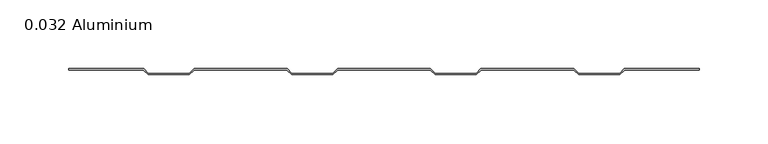
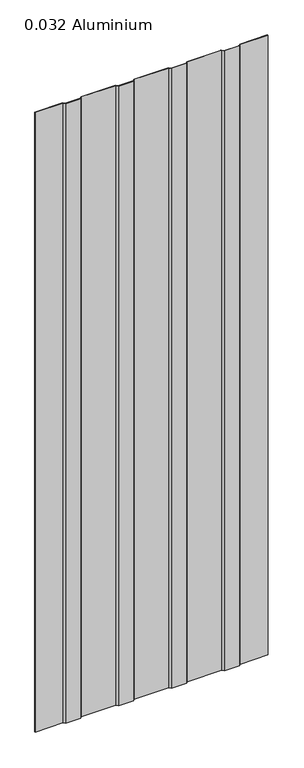
"""IFC4 building model written with IfcOpenShell, lengths in millimetres: plate geometry, 0.032 Aluminium."""

from ifc_helpers import new_model, si_unit, origin, origin_with_axes, place, context, project, spatial, polyline, outline, extrude, source, transform, mapped, element, save


def plate_0_032_aluminium_9b7b38d6(model_context):
    return source(origin(), model_context, "Body", "SweptSolid", [
        extrude(outline(polyline([(33.654793, 0.0), (-33.654793, 0.0), (-37.203173, -3.54838), (-66.870787, -3.54838), (-70.419167, 0.0), (-137.728753, 0.0), (-141.277133, -3.54838), (-170.944747, -3.54838), (-174.493127, 0.0), (-228.6, 0.0), (-228.6, 0.8128), (-174.42942, 0.8128), (-170.88104, -2.73558), (-141.34084, -2.73558), (-137.79246, 0.8128), (-70.35546, 0.8128), (-66.80708, -2.73558), (-37.26688, -2.73558), (-33.7185, 0.8128), (33.7185, 0.8128), (37.26688, -2.73558), (66.80708, -2.73558), (70.35546, 0.8128), (137.79246, 0.8128), (141.34084, -2.73558), (170.88104, -2.73558), (174.42942, 0.8128), (228.6, 0.8128), (228.6, 0.0), (174.493127, 0.0), (170.944747, -3.54838), (141.277133, -3.54838), (137.728753, 0.0), (70.419167, 0.0), (66.870787, -3.54838), (37.203173, -3.54838), (33.654793, 0.0)])), origin_with_axes(), (0.0, 0.0, 1.0), 1285.875),
    ])


if __name__ == "__main__":
    model = new_model("IFC4")
    model_context = context("Model", 3, world=origin())
    ifc_project = project(units=[si_unit("LENGTHUNIT", "METRE", prefix="MILLI")], contexts=[model_context])
    site = spatial("IfcSite", under=ifc_project)
    building = spatial("IfcBuilding", under=site)
    placement = place(None, origin())
    plate_0_032_aluminium_shape = plate_0_032_aluminium_9b7b38d6(model_context)
    element("IfcPlate", 1, ObjectType="0.032 Aluminium", at=placement, inside=building, context=model_context, shape_type="MappedRepresentation", body=[
        mapped(plate_0_032_aluminium_shape, transform((0.0, 0.0, 0.0), x_axis=(1.0, 0.0, 0.0), y_axis=(0.0, 1.0, 0.0), z_axis=(0.0, 0.0, 1.0))),
    ])
    save(model, "model.ifc")
